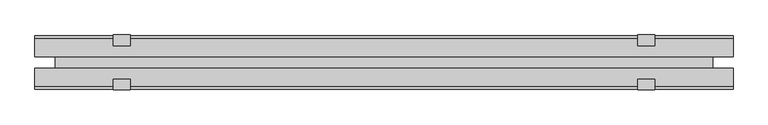
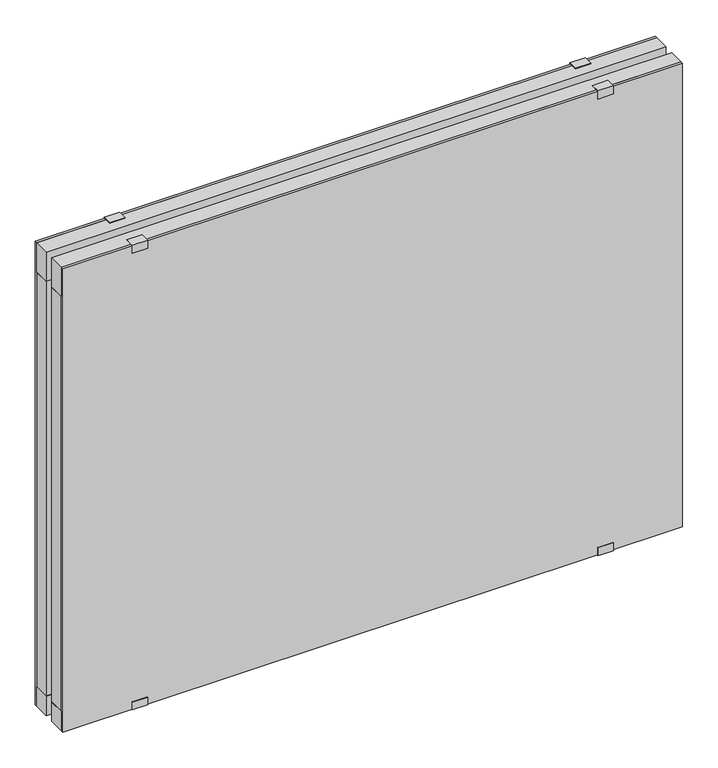
"""IFC4 building model written with IfcOpenShell, lengths in millimetres: plate geometry."""

from ifc_helpers import new_model, si_unit, frame, origin, origin_with_axes, place, context, project, spatial, polyline, outline, extrude, source, transform, mapped, element, save


def plate_f3e28154(model_context):
    return source(origin(), model_context, "Body", "SweptSolid", [
        extrude(outline(polyline([(603.3750001, -10.0), (603.3750001, -41.0), (-603.3750001, -41.0), (-603.3750001, -10.0), (603.3750001, -10.0)])), origin_with_axes(), (0.0, 0.0, 1.0), 40.0),
        extrude(outline(polyline([(603.3750001, 41.0), (603.3750001, 10.0), (-603.3750001, 10.0), (-603.3750001, 41.0), (603.3750001, 41.0)])), origin_with_axes(), (0.0, 0.0, 1.0), 40.0),
        extrude(outline(polyline([(603.3750001, -10.0), (603.3750001, -41.0), (-603.3750001, -41.0), (-603.3750001, -10.0), (603.3750001, -10.0)])), frame((0.0, 0.0, 893.5), z_axis=(0.0, 0.0, 1.0), x_axis=(1.0, 0.0, 0.0)), (0.0, 0.0, 1.0), 60.0),
        extrude(outline(polyline([(603.3750001, 41.0), (603.3750001, 10.0), (-603.3750001, 10.0), (-603.3750001, 41.0), (603.3750001, 41.0)])), frame((0.0, 0.0, 893.5), z_axis=(0.0, 0.0, 1.0), x_axis=(1.0, 0.0, 0.0)), (0.0, 0.0, 1.0), 60.0),
        extrude(outline(polyline([(567.8750001, -10.0), (-567.8750001, -10.0), (-567.8750001, 10.0), (567.8750001, 10.0), (567.8750001, -10.0)])), frame((0.0, 0.0, 11.0), z_axis=(0.0, 0.0, 1.0), x_axis=(1.0, 0.0, 0.0)), (0.0, 0.0, 1.0), 914.5),
        extrude(outline(polyline([(603.3750001, 41.0), (-603.3750001, 41.0), (-603.3750001, 46.0), (603.3750001, 46.0), (603.3750001, 41.0)])), origin_with_axes(), (0.0, 0.0, 1.0), 953.5),
        extrude(outline(polyline([(-603.3750001, -46.0), (-603.3750001, -41.0), (603.3750001, -41.0), (603.3750001, -46.0), (-603.3750001, -46.0)])), origin_with_axes(), (0.0, 0.0, 1.0), 953.5),
        extrude(outline(polyline([(543.6119275, -10.0), (603.3750001, -10.0), (603.3750001, -41.0), (564.1183344, -41.0), (543.6119275, -13.4129412), (543.6119275, -10.0)])), frame((0.0, 0.0, 40.0), z_axis=(0.0, 0.0, 1.0), x_axis=(1.0, 0.0, 0.0)), (0.0, 0.0, 1.0), 853.5),
        extrude(outline(polyline([(543.6119275, 10.0), (543.6119275, 13.4129412), (564.1183344, 41.0), (603.3750001, 41.0), (603.3750001, 10.0), (543.6119275, 10.0)])), frame((0.0, 0.0, 40.0), z_axis=(0.0, 0.0, 1.0), x_axis=(1.0, 0.0, 0.0)), (0.0, 0.0, 1.0), 853.5),
        extrude(outline(polyline([(-543.6119275, -10.0), (-543.6119275, -13.4129412), (-564.1183344, -41.0), (-603.3750001, -41.0), (-603.3750001, -10.0), (-543.6119275, -10.0)])), frame((0.0, 0.0, 40.0), z_axis=(0.0, 0.0, 1.0), x_axis=(1.0, 0.0, 0.0)), (0.0, 0.0, 1.0), 853.5),
        extrude(outline(polyline([(-543.6119275, 10.0), (-603.3750001, 10.0), (-603.3750001, 41.0), (-564.1183344, 41.0), (-543.6119275, 13.4129412), (-543.6119275, 10.0)])), frame((0.0, 0.0, 40.0), z_axis=(0.0, 0.0, 1.0), x_axis=(1.0, 0.0, 0.0)), (0.0, 0.0, 1.0), 853.5),
        extrude(outline(polyline([(-47.5, 955.0), (-29.0, 955.0), (-29.0, 953.5), (-46.0, 953.5), (-46.0, 938.5), (-47.5, 938.5), (-47.5, 955.0)])), frame((-468.3750001, 0.0, 0.0), z_axis=(1.0, 0.0, 0.0), x_axis=(0.0, 1.0, 0.0)), (0.0, 0.0, 1.0), 30.0),
        extrude(outline(polyline([(47.5, 938.5), (46.0, 938.5), (46.0, 953.5), (29.0, 953.5), (29.0, 955.0), (47.5, 955.0), (47.5, 938.5)])), frame((-468.3750001, 0.0, 0.0), z_axis=(1.0, 0.0, 0.0), x_axis=(0.0, 1.0, 0.0)), (0.0, 0.0, 1.0), 30.0),
        extrude(outline(polyline([(-47.1, 15.0), (-46.0, 15.0), (-46.0, 0.0), (-31.0, 0.0), (-31.0, -1.2), (-47.1, -1.2), (-47.1, 15.0)])), frame((-468.3750001, 0.0, 0.0), z_axis=(1.0, 0.0, 0.0), x_axis=(0.0, 1.0, 0.0)), (0.0, 0.0, 1.0), 30.0),
        extrude(outline(polyline([(47.1, -1.2), (31.0, -1.2), (31.0, 0.0), (46.0, 0.0), (46.0, 15.0), (47.1, 15.0), (47.1, -1.2)])), frame((-468.3750001, 0.0, 0.0), z_axis=(1.0, 0.0, 0.0), x_axis=(0.0, 1.0, 0.0)), (0.0, 0.0, 1.0), 30.0),
        extrude(outline(polyline([(-47.5, 955.0), (-29.0, 955.0), (-29.0, 953.5), (-46.0, 953.5), (-46.0, 938.5), (-47.5, 938.5), (-47.5, 955.0)])), frame((438.3750001, 0.0, 0.0), z_axis=(1.0, 0.0, 0.0), x_axis=(0.0, 1.0, 0.0)), (0.0, 0.0, 1.0), 30.0),
        extrude(outline(polyline([(29.0, 955.0), (47.5, 955.0), (47.5, 938.5), (46.0, 938.5), (46.0, 953.5), (29.0, 953.5), (29.0, 955.0)])), frame((438.3750001, 0.0, 0.0), z_axis=(1.0, 0.0, 0.0), x_axis=(0.0, 1.0, 0.0)), (0.0, 0.0, 1.0), 30.0),
        extrude(outline(polyline([(-47.1, 15.0), (-46.0, 15.0), (-46.0, 0.0), (-31.0, 0.0), (-31.0, -1.2), (-47.1, -1.2), (-47.1, 15.0)])), frame((438.3750001, 0.0, 0.0), z_axis=(1.0, 0.0, 0.0), x_axis=(0.0, 1.0, 0.0)), (0.0, 0.0, 1.0), 30.0),
        extrude(outline(polyline([(47.1, -1.2), (31.0, -1.2), (31.0, 0.0), (46.0, 0.0), (46.0, 15.0), (47.1, 15.0), (47.1, -1.2)])), frame((438.3750001, 0.0, 0.0), z_axis=(1.0, 0.0, 0.0), x_axis=(0.0, 1.0, 0.0)), (0.0, 0.0, 1.0), 30.0),
    ])


if __name__ == "__main__":
    model = new_model("IFC4")
    model_context = context("Model", 3, world=origin())
    ifc_project = project(units=[si_unit("LENGTHUNIT", "METRE", prefix="MILLI")], contexts=[model_context])
    site = spatial("IfcSite", under=ifc_project)
    building = spatial("IfcBuilding", under=site)
    placement = place(None, origin())
    plate_shape = plate_f3e28154(model_context)
    element("IfcPlate", 1, at=placement, inside=building, context=model_context, shape_type="MappedRepresentation", body=[
        mapped(plate_shape, transform((0.0, 0.0, 0.0), x_axis=(1.0, 0.0, 0.0), y_axis=(0.0, 1.0, 0.0), z_axis=(0.0, 0.0, 1.0))),
    ])
    save(model, "model.ifc")
